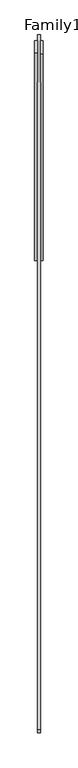
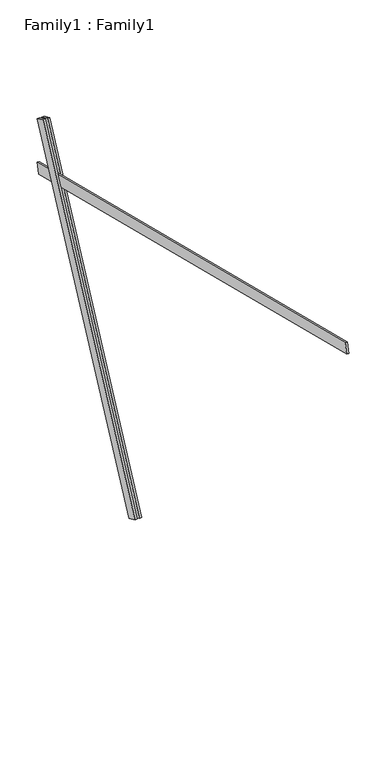
"""IFC4 building model written with IfcOpenShell, lengths in millimetres: proxy geometry, Family1 : Family1."""

import ifcopenshell
import ifcopenshell.guid

model = None  # the IFC model being written
_history = None  # IfcOwnerHistory: only IFC2X3 demands one
_inside = {}  # id of a spatial element -> (the spatial element, [elements in it])
_under = {}  # id of a project, library or spatial element -> (it, [spatial elements below it])
_declared = {}  # id of a project -> (the project, [libraries it declares])
_typed = {}  # id of a type object -> (the type object, [elements of that type])
_made_of = {}  # id of a material, layer set ... -> (it, [elements and type objects made of it])


def new_model(schema):
    """Start an empty IFC model of exactly this schema.

    Asked for "IFC4X3", IfcOpenShell would pick the latest addendum, in which some entities
    have other attributes; the version numbers below select the first issue.
    IFC2X3 requires an IfcOwnerHistory on every rooted entity: one is made here for all.
    """
    global model, _history
    if schema == "IFC4X3":
        model = ifcopenshell.file(schema_version=(4, 3, 0, 0))
    else:
        model = ifcopenshell.file(schema=schema)
    _inside.clear()
    _under.clear()
    _declared.clear()
    _typed.clear()
    _made_of.clear()
    _history = None
    if model.schema == "IFC2X3":
        org = make("IfcOrganization", Name="unknown")
        user = make(
            "IfcPersonAndOrganization",
            ThePerson=make("IfcPerson", FamilyName="unknown"),
            TheOrganization=org,
        )
        app = make(
            "IfcApplication",
            ApplicationDeveloper=org,
            Version="unknown",
            ApplicationFullName="unknown",
            ApplicationIdentifier="unknown",
        )
        _history = make(
            "IfcOwnerHistory",
            OwningUser=user,
            OwningApplication=app,
            ChangeAction="ADDED",
            CreationDate=0,
        )
    return model


def make(cls, **values):
    """One entity of the class cls with the attributes given. An attribute that is None is left unset."""
    return model.create_entity(
        cls, **{name: value for name, value in values.items() if value is not None}
    )


def rooted(cls, **values):
    """An entity with a GlobalId (a new one), such as an element, a storey or a relation."""
    return make(cls, GlobalId=ifcopenshell.guid.new(), OwnerHistory=_history, **values)


def si_unit(unit_type, name, prefix=None):
    """IfcSIUnit, for example si_unit("LENGTHUNIT", "METRE", prefix="MILLI")."""
    return make("IfcSIUnit", UnitType=unit_type, Prefix=prefix, Name=name)


def assignment(units):
    """IfcUnitAssignment: the units of a project."""
    return None if units is None else make("IfcUnitAssignment", Units=units)


def point(xyz):
    """IfcCartesianPoint."""
    return None if xyz is None else make("IfcCartesianPoint", Coordinates=xyz)


def direction(xyz):
    """IfcDirection."""
    return None if xyz is None else make("IfcDirection", DirectionRatios=xyz)


def frame(location, z_axis=None, x_axis=None):
    """IfcAxis2Placement3D, a coordinate frame: its origin and axes. An axis left out is left unset."""
    return make(
        "IfcAxis2Placement3D",
        Location=point(location),
        Axis=direction(z_axis),
        RefDirection=direction(x_axis),
    )


def origin():
    """The frame at (0, 0, 0) with its axes left unset."""
    return frame((0.0, 0.0, 0.0))


def place(relative_to, where):
    """IfcLocalPlacement: puts the frame where relative to a parent placement (None: the world)."""
    return make(
        "IfcLocalPlacement", PlacementRelTo=relative_to, RelativePlacement=where
    )


def context(
    kind, dimensions, precision=None, world=None, true_north=None, identifier=None
):
    """IfcGeometricRepresentationContext, for example the 3D "Model" context."""
    return make(
        "IfcGeometricRepresentationContext",
        ContextIdentifier=identifier,
        ContextType=kind,
        CoordinateSpaceDimension=dimensions,
        Precision=precision,
        WorldCoordinateSystem=world,
        TrueNorth=true_north,
    )


def project(units=None, contexts=None):
    """IfcProject with its units and contexts."""
    return rooted(
        "IfcProject",
        Name="project",
        RepresentationContexts=contexts,
        UnitsInContext=assignment(units),
    )


def spatial(cls, under=None, at=None, **own):
    """A site, building, storey or space (cls), placed at a placement, below another one or the project."""
    s = rooted(cls, ObjectPlacement=at, **own)
    if under is not None:
        _under.setdefault(under.id(), (under, []))[1].append(s)
    return s


def polyline(points):
    """IfcPolyline through the points."""
    return make("IfcPolyline", Points=[point(p) for p in points])


def outline(outer, holes=None, kind="AREA"):
    """IfcArbitraryClosedProfileDef: a profile drawn as a closed curve; with holes, ...WithVoids."""
    if holes is None:
        return make("IfcArbitraryClosedProfileDef", ProfileType=kind, OuterCurve=outer)
    return make(
        "IfcArbitraryProfileDefWithVoids",
        ProfileType=kind,
        OuterCurve=outer,
        InnerCurves=holes,
    )


def extrude(swept, where, along, depth):
    """IfcExtrudedAreaSolid: the profile swept, set in the frame where, extruded along a direction by depth."""
    return make(
        "IfcExtrudedAreaSolid",
        SweptArea=swept,
        Position=where,
        ExtrudedDirection=direction(along),
        Depth=depth,
    )


def shape(context_of_items, identifier, shape_type, items):
    """IfcShapeRepresentation: the items that make up one representation, for example the "Body"."""
    return make(
        "IfcShapeRepresentation",
        ContextOfItems=context_of_items,
        RepresentationIdentifier=identifier,
        RepresentationType=shape_type,
        Items=items,
    )


def source(mapping_origin, context_of_items, identifier, shape_type, items):
    """IfcRepresentationMap: a shape defined once, which mapped items show again and again."""
    return make(
        "IfcRepresentationMap",
        MappingOrigin=mapping_origin,
        MappedRepresentation=shape(context_of_items, identifier, shape_type, items),
    )


def transform(
    local_origin,
    x_axis=None,
    y_axis=None,
    z_axis=None,
    scale=None,
    scale2=None,
    scale3=None,
    uniform=True,
):
    """IfcCartesianTransformationOperator3D, or its non-uniform kind. x_axis, y_axis, z_axis: its Axis1, 2, 3."""
    if uniform:
        return make(
            "IfcCartesianTransformationOperator3D",
            Axis1=direction(x_axis),
            Axis2=direction(y_axis),
            LocalOrigin=point(local_origin),
            Scale=scale,
            Axis3=direction(z_axis),
        )
    return make(
        "IfcCartesianTransformationOperator3DnonUniform",
        Axis1=direction(x_axis),
        Axis2=direction(y_axis),
        LocalOrigin=point(local_origin),
        Scale=scale,
        Axis3=direction(z_axis),
        Scale2=scale2,
        Scale3=scale3,
    )


def mapped(mapping_source, mapping_target):
    """IfcMappedItem: shows the shape of a source again, moved by a transform."""
    return make(
        "IfcMappedItem", MappingSource=mapping_source, MappingTarget=mapping_target
    )


def made_of(thing, what):
    """Note that an element or type object is made of a material, layer set ...; save() writes the relation."""
    if what is not None:
        _made_of.setdefault(what.id(), (what, []))[1].append(thing)
    return thing


def element(
    cls,
    number,
    at=None,
    inside=None,
    cuts=None,
    type_object=None,
    material=None,
    context=None,
    identifier="Body",
    shape_type=None,
    held_by="IfcProductDefinitionShape",
    body=None,
    shapes=None,
    **own,
):
    """One element of the class cls, such as IfcWall. Its Tag is "e" and its number.

    at: its placement. inside: the storey or other place that contains it. cuts: it is an
    opening in that element (IfcRelVoidsElement). A single representation is given by context,
    identifier, shape_type and body (its items); several are given by shapes. held_by: the class
    of the entity that holds the representations. save() writes the other relations.
    """
    e = rooted(cls, Tag="e%d" % number, ObjectPlacement=at, **own)
    if body is not None:
        shapes = [shape(context, identifier, shape_type, body)]
    if shapes is not None:
        e.Representation = make(held_by, Representations=shapes)
    if inside is not None:
        _inside.setdefault(inside.id(), (inside, []))[1].append(e)
    if cuts is not None:
        rooted(
            "IfcRelVoidsElement", RelatingBuildingElement=cuts, RelatedOpeningElement=e
        )
    if type_object is not None:
        _typed.setdefault(type_object.id(), (type_object, []))[1].append(e)
    return made_of(e, material)


def aggregate(whole, parts):
    """IfcRelAggregates: a whole, such as a stair, and the parts it consists of."""
    return rooted("IfcRelAggregates", RelatingObject=whole, RelatedObjects=parts)


def save(model, path):
    """Write the relations noted so far, then the file.

    IfcRelAggregates (storeys below a building ...), IfcRelContainedInSpatialStructure (elements
    in a storey), IfcRelDefinesByType, IfcRelAssociatesMaterial and IfcRelDeclares: one each for
    every whole, place, type object, material and project.
    """
    for whole, parts in _under.values():
        aggregate(whole, parts)
    for where, things in _inside.values():
        rooted(
            "IfcRelContainedInSpatialStructure",
            RelatedElements=things,
            RelatingStructure=where,
        )
    for kind, things in _typed.values():
        rooted("IfcRelDefinesByType", RelatedObjects=things, RelatingType=kind)
    for what, things in _made_of.values():
        rooted("IfcRelAssociatesMaterial", RelatedObjects=things, RelatingMaterial=what)
    for by, libraries in _declared.values():
        rooted("IfcRelDeclares", RelatingContext=by, RelatedDefinitions=libraries)
    model.write(path)


def family1_family1_ecb44508(model_context):
    return source(origin(), model_context, "Body", "SweptSolid", [
        extrude(outline(polyline([(0.0, 0.0), (0.0, -20.0), (-100.0000001, -20.0), (-100.0000001, 0.0), (0.0, 0.0)])), frame((-30.0, 46.3241747, -22.5938096), z_axis=(0.0, 0.4383711467890692, 0.8987940462991711), x_axis=(0.0, 0.8987940462991711, -0.4383711467890692)), (0.0, 0.0, 1.0), 3300.0),
        extrude(outline(polyline([(0.0, 0.0), (0.0, -20.0), (-99.9999999, -20.0), (-99.9999999, 0.0), (0.0, 0.0)])), frame((10.0, 45.270232, -22.0797674), z_axis=(0.0, 0.4383711467890692, 0.8987940462991711), x_axis=(0.0, 0.8987940462991711, -0.4383711467890692)), (0.0, 0.0, 1.0), 3300.0),
        extrude(outline(polyline([(0.0, -20.0), (0.0, 0.0), (5000.0, 0.0), (5000.0, -20.0), (0.0, -20.0)])), frame((-10.0, -3343.3608641, 3604.7211023), z_axis=(0.0, 0.24192189559966992, 0.9702957262759959), x_axis=(0.0, 0.9702957262759959, -0.24192189559966992)), (0.0, 0.0, 1.0), 100.0),
    ])


if __name__ == "__main__":
    model = new_model("IFC4")
    model_context = context("Model", 3, world=origin())
    ifc_project = project(units=[si_unit("LENGTHUNIT", "METRE", prefix="MILLI")], contexts=[model_context])
    site = spatial("IfcSite", under=ifc_project)
    building = spatial("IfcBuilding", under=site)
    placement = place(None, origin())
    family1_family1_shape = family1_family1_ecb44508(model_context)
    element("IfcBuildingElementProxy", 1, Name="Family1 : Family1", ObjectType="Family1 : Family1", at=placement, inside=building, context=model_context, shape_type="MappedRepresentation", body=[
        mapped(family1_family1_shape, transform((0.0, 0.0, 0.0), x_axis=(1.0, 0.0, 0.0), y_axis=(0.0, 1.0, 0.0), z_axis=(0.0, 0.0, 1.0))),
    ])
    save(model, "model.ifc")
